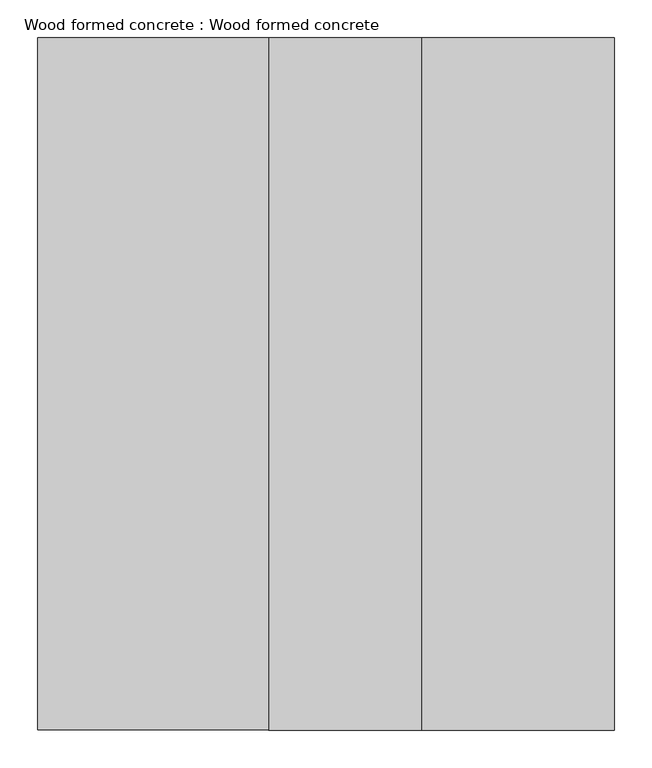
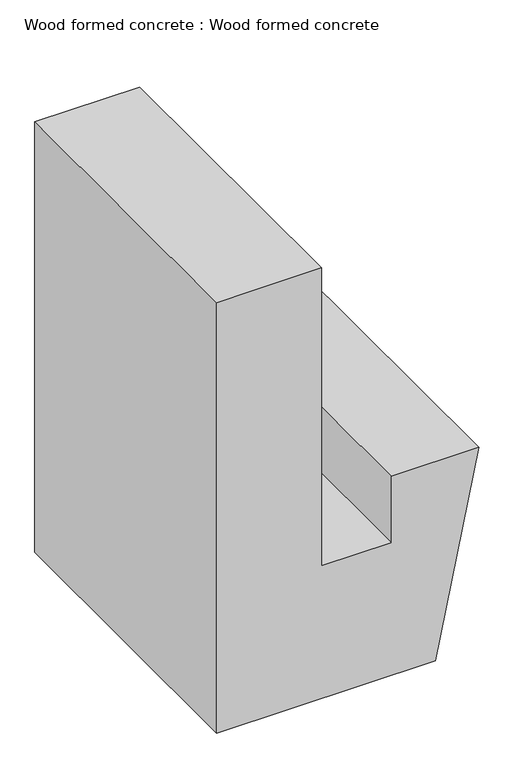
"""IFC4 building model written with IfcOpenShell, lengths in millimetres: proxy geometry, Wood formed concrete : Wood formed concrete."""

from ifc_helpers import new_model, si_unit, frame, origin, place, context, project, spatial, polyline, outline, extrude, source, transform, mapped, element, save


def wood_formed_concrete_wood_formed_concrete_0911193d(model_context):
    return source(origin(), model_context, "Body", "SweptSolid", [
        extrude(outline(polyline([(1320.8, 37656.0694793), (1320.8, 37351.2694793), (0.0, 37351.2694793), (0.0, 37986.2694793), (609.6, 38113.2694793), (609.6, 37859.2694793), (406.4, 37859.2694793), (406.4, 37656.0694793), (1320.8, 37656.0694793)])), frame((0.0, -19576.8264268, 0.0), z_axis=(0.0, 1.0, 0.0), x_axis=(0.0, 0.0, 1.0)), (0.0, 0.0, 1.0), 914.4),
    ])


if __name__ == "__main__":
    model = new_model("IFC4")
    model_context = context("Model", 3, world=origin())
    ifc_project = project(units=[si_unit("LENGTHUNIT", "METRE", prefix="MILLI")], contexts=[model_context])
    site = spatial("IfcSite", under=ifc_project)
    building = spatial("IfcBuilding", under=site)
    placement = place(None, origin())
    wood_formed_concrete_wood_formed_concrete_shape = wood_formed_concrete_wood_formed_concrete_0911193d(model_context)
    element("IfcBuildingElementProxy", 1, Name="Wood formed concrete : Wood formed concrete", ObjectType="Wood formed concrete : Wood formed concrete", at=placement, inside=building, context=model_context, shape_type="MappedRepresentation", body=[
        mapped(wood_formed_concrete_wood_formed_concrete_shape, transform((0.0, 0.0, 0.0), x_axis=(1.0, 0.0, 0.0), y_axis=(0.0, 1.0, 0.0), z_axis=(0.0, 0.0, 1.0))),
    ])
    save(model, "model.ifc")
